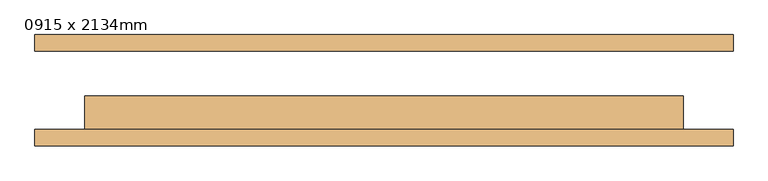
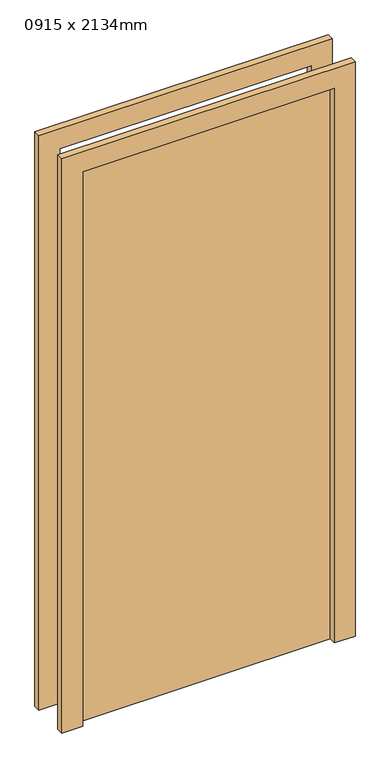
"""IFC4 building model written with IfcOpenShell, lengths in millimetres: door geometry, 0915 x 2134mm."""

from ifc_helpers import new_model, si_unit, frame, origin, origin_with_axes, place, context, project, spatial, polyline, outline, extrude, source, transform, mapped, element, save


def door_0915_x_2134mm_37b02afd(model_context):
    return source(origin(), model_context, "Body", "SweptSolid", [
        extrude(outline(polyline([(2210.0, -533.5), (0.0, -533.5), (0.0, -457.5), (2134.0, -457.5), (2134.0, 457.5), (0.0, 457.5), (0.0, 533.5), (2210.0, 533.5), (2210.0, -533.5)])), frame((0.0, -85.0, 0.0), z_axis=(0.0, 1.0, 0.0), x_axis=(0.0, 0.0, 1.0)), (0.0, 0.0, 1.0), 25.0),
        extrude(outline(polyline([(2210.0, 533.5), (2210.0, -533.5), (0.0, -533.5), (0.0, -457.5), (2134.0, -457.5), (2134.0, 457.5), (0.0, 457.5), (0.0, 533.5), (2210.0, 533.5)])), frame((0.0, 60.0, 0.0), z_axis=(0.0, 1.0, 0.0), x_axis=(0.0, 0.0, 1.0)), (0.0, 0.0, 1.0), 25.0),
        extrude(outline(polyline([(457.5, -9.0), (457.5, -60.0), (-457.5, -60.0), (-457.5, -9.0), (457.5, -9.0)])), origin_with_axes(), (0.0, 0.0, 1.0), 2134.0),
    ])


if __name__ == "__main__":
    model = new_model("IFC4")
    model_context = context("Model", 3, world=origin())
    ifc_project = project(units=[si_unit("LENGTHUNIT", "METRE", prefix="MILLI")], contexts=[model_context])
    site = spatial("IfcSite", under=ifc_project)
    building = spatial("IfcBuilding", under=site)
    placement = place(None, origin())
    door_0915_x_2134mm_shape = door_0915_x_2134mm_37b02afd(model_context)
    element("IfcDoor", 1, ObjectType="0915 x 2134mm", at=placement, inside=building, context=model_context, shape_type="MappedRepresentation", body=[
        mapped(door_0915_x_2134mm_shape, transform((0.0, 0.0, 0.0), x_axis=(1.0, 0.0, 0.0), y_axis=(0.0, 1.0, 0.0), z_axis=(0.0, 0.0, 1.0))),
    ])
    save(model, "model.ifc")
